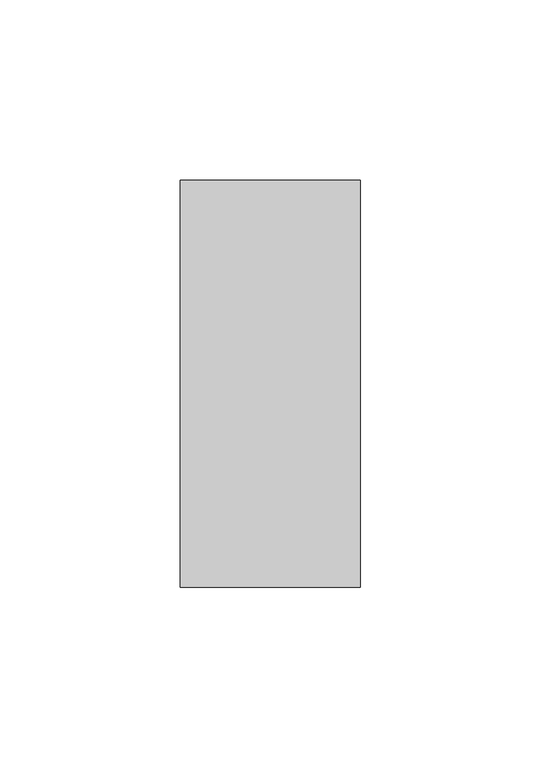
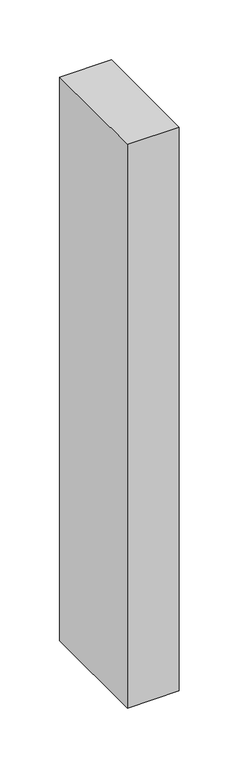
"""IFC4 building model written with IfcOpenShell, lengths in millimetres: member geometry."""

from ifc_helpers import new_model, si_unit, frame, origin, place, context, project, spatial, polyline, outline, extrude, source, transform, mapped, element, save


def member_bd584a84(model_context):
    return source(origin(), model_context, "Body", "SweptSolid", [
        extrude(outline(polyline([(-50.0, -22.0), (-50.0, 91.0), (0.0, 91.0), (0.0, -22.0), (-50.0, -22.0)])), frame((0.0, 0.0, -575.0), z_axis=(0.0, 0.0, 1.0), x_axis=(1.0, 0.0, 0.0)), (0.0, 0.0, 1.0), 575.0),
    ])


if __name__ == "__main__":
    model = new_model("IFC4")
    model_context = context("Model", 3, world=origin())
    ifc_project = project(units=[si_unit("LENGTHUNIT", "METRE", prefix="MILLI")], contexts=[model_context])
    site = spatial("IfcSite", under=ifc_project)
    building = spatial("IfcBuilding", under=site)
    placement = place(None, origin())
    member_shape = member_bd584a84(model_context)
    element("IfcMember", 1, at=placement, inside=building, context=model_context, shape_type="MappedRepresentation", body=[
        mapped(member_shape, transform((0.0, 0.0, 0.0), x_axis=(1.0, 0.0, 0.0), y_axis=(0.0, 1.0, 0.0), z_axis=(0.0, 0.0, 1.0))),
    ])
    save(model, "model.ifc")
